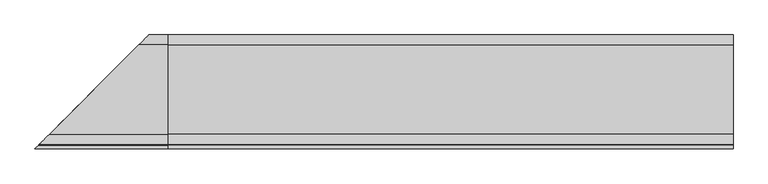
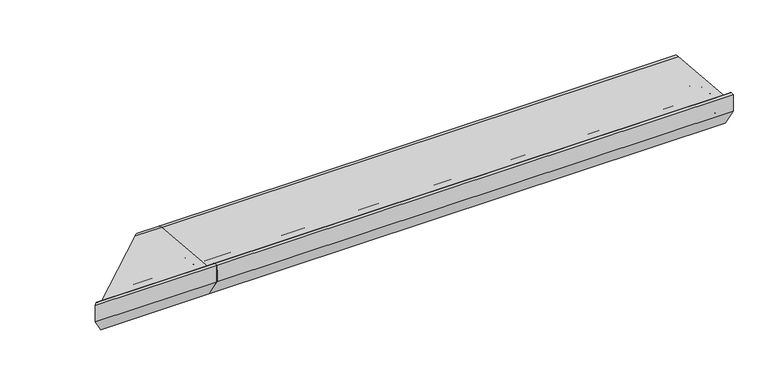
"""IFC4 building model written with IfcOpenShell, lengths in millimetres: proxy geometry."""

from ifc_helpers import new_model, si_unit, point, frame, frame_2d, origin, place, context, project, spatial, polyline, circle_curve, ellipse_curve, trimmed, segment, composite_curve, outline, extrude, source, transform, mapped, element, save
from ifc_brep_helpers import plane_surface, cylinder_surface, revolved_surface, advanced_brep


def generic_models_ce69e7a3(model_context):
    return source(origin(), model_context, "Body", "SolidModel", [
        advanced_brep(
        [(0.0, 28.0858073, 50.4091909), (0.0, -167.5409218, 67.4754175), (0.0, -189.9303588, 90.1294924), (0.0, -191.9246962, 91.9790981), (0.0, -200.0, 91.9790981), (0.0, -200.0, 50.0), (0.0, -168.0, 0.0), (0.0, -156.0, 0.0), (0.0, -155.0, 1.0), (0.0, -155.0, 5.5), (0.0, -153.0, 7.5), (0.0, -130.0, 7.5), (0.0, -128.0, 5.5), (0.0, -128.0, 1.0), (0.0, -127.0, 0.0), (0.0, -104.0, 0.0), (0.0, -103.0, 1.0), (0.0, -103.0, 5.5), (0.0, -101.0, 7.5), (0.0, -78.0, 7.5), (0.0, -76.0, 5.5), (0.0, -76.0, 1.0), (0.0, -75.0, 0.0), (0.0, -52.0, 0.0), (0.0, -51.0, 1.0), (0.0, -51.0, 5.5), (0.0, -49.0, 7.5), (0.0, -26.0, 7.5), (0.0, -24.0, 5.5), (0.0, -24.0, 1.0), (0.0, -23.0, 0.0), (0.0, -0.5773503, 0.0), (0.0, 0.2886751, 0.5), (0.0, 3.7527767, 6.5), (0.0, 5.4848276, 7.5), (0.0, 21.9585481, 7.5), (0.0, 23.6905989, 6.5), (0.0, 25.7072001, 3.0071443), (0.0, 26.5981483, 2.5074549), (0.0, -21.5, 20.9289), (0.0, -21.5, 28.9289), (0.0, -9.5, 28.9289), (0.0, -9.5, 20.9289), (0.0, -39.5, 27.333), (0.0, -51.5, 27.333), (0.0, -72.0, 30.0), (0.0, -84.0, 30.0), (0.0, -104.5, 32.667), (0.0, -116.5, 32.667), (0.0, -137.0, 35.334), (0.0, -149.0, 35.334), (-63.9141927, 28.0858073, 50.4091909), (-259.5409218, -167.5409218, 67.4754175), (-281.9303588, -189.9303588, 90.1294924), (-283.9246962, -191.9246962, 91.9790981), (-292.0, -200.0, 91.9790981), (-292.0, -200.0, 50.0), (-260.0, -168.0, 0.0), (-248.0, -156.0, 0.0), (-247.0, -155.0, 1.0), (-247.0, -155.0, 5.5), (-245.0, -153.0, 7.5), (-222.0, -130.0, 7.5), (-220.0, -128.0, 5.5), (-220.0, -128.0, 1.0), (-219.0, -127.0, 0.0), (-196.0, -104.0, 0.0), (-195.0, -103.0, 1.0), (-195.0, -103.0, 5.5), (-193.0, -101.0, 7.5), (-170.0, -78.0, 7.5), (-168.0, -76.0, 5.5), (-168.0, -76.0, 1.0), (-167.0, -75.0, 0.0), (-144.0, -52.0, 0.0), (-143.0, -51.0, 1.0), (-143.0, -51.0, 5.5), (-141.0, -49.0, 7.5), (-118.0, -26.0, 7.5), (-116.0, -24.0, 5.5), (-116.0, -24.0, 1.0), (-115.0, -23.0, 0.0), (-92.5773503, -0.5773503, 0.0), (-91.7113249, 0.2886751, 0.5), (-88.2472233, 3.7527767, 6.5), (-86.5151724, 5.4848276, 7.5), (-70.0414519, 21.9585481, 7.5), (-68.3094011, 23.6905989, 6.5), (-66.2927999, 25.7072001, 3.0071443), (-65.4018517, 26.5981483, 2.5074549), (-113.5, -21.5, 20.9289), (-113.5, -21.5, 28.9289), (-101.5, -9.5, 28.9289), (-101.5, -9.5, 20.9289), (-131.5, -39.5, 27.333), (-143.5, -51.5, 27.333), (-164.0, -72.0, 30.0), (-176.0, -84.0, 30.0), (-196.5, -104.5, 32.667), (-208.5, -116.5, 32.667), (-229.0, -137.0, 35.334), (-241.0, -149.0, 35.334)],
        [
            (0, 1),
            (1, 2, circle_curve(frame((0.0, -165.4032519, 91.9790985), z_axis=(-1.0, 0.0, 0.0), x_axis=(0.0, -0.08690863944627705, -0.9962162859487879)), 24.5967481)),
            (2, 3, circle_curve(frame((0.0, -191.9246962, 89.9790981), z_axis=(1.0, 0.0, 0.0), x_axis=(0.0, 0.9971686839008461, 0.07519717978391492)), 2.0)),
            (3, 4),
            (4, 5),
            (5, 6),
            (6, 7),
            (7, 8, circle_curve(frame((0.0, -156.0, 1.0), z_axis=(1.0, 0.0, 0.0), x_axis=(0.0, 1.0, 0.0)), 1.0)),
            (8, 9),
            (9, 10, circle_curve(frame((0.0, -153.0, 5.5), z_axis=(-1.0, 0.0, 0.0), x_axis=(0.0, -1.0, 0.0)), 2.0)),
            (10, 11),
            (11, 12, circle_curve(frame((0.0, -130.0, 5.5), z_axis=(-1.0, 0.0, 0.0), x_axis=(0.0, 0.0, 1.0)), 2.0)),
            (12, 13),
            (13, 14, circle_curve(frame((0.0, -127.0, 1.0), z_axis=(1.0, 0.0, 0.0), x_axis=(0.0, -1.0, 0.0)), 1.0)),
            (14, 15),
            (15, 16, circle_curve(frame((0.0, -104.0, 1.0), z_axis=(1.0, 0.0, 0.0), x_axis=(0.0, 0.0, -1.0)), 1.0)),
            (16, 17),
            (17, 18, circle_curve(frame((0.0, -101.0, 5.5), z_axis=(-1.0, 0.0, 0.0), x_axis=(0.0, -1.0, 0.0)), 2.0)),
            (18, 19),
            (19, 20, circle_curve(frame((0.0, -78.0, 5.5), z_axis=(-1.0, 0.0, 0.0), x_axis=(0.0, 0.0, 1.0)), 2.0)),
            (20, 21),
            (21, 22, circle_curve(frame((0.0, -75.0, 1.0), z_axis=(1.0, 0.0, 0.0), x_axis=(0.0, -1.0, 0.0)), 1.0)),
            (22, 23),
            (23, 24, circle_curve(frame((0.0, -52.0, 1.0), z_axis=(1.0, 0.0, 0.0), x_axis=(0.0, 0.0, -1.0)), 1.0)),
            (24, 25),
            (25, 26, circle_curve(frame((0.0, -49.0, 5.5), z_axis=(-1.0, 0.0, 0.0), x_axis=(0.0, -1.0, 0.0)), 2.0)),
            (26, 27),
            (27, 28, circle_curve(frame((0.0, -26.0, 5.5), z_axis=(-1.0, 0.0, 0.0), x_axis=(0.0, 0.0, 1.0)), 2.0)),
            (28, 29),
            (29, 30, circle_curve(frame((0.0, -23.0, 1.0), z_axis=(1.0, 0.0, 0.0), x_axis=(0.0, -1.0, 0.0)), 1.0)),
            (30, 31),
            (31, 32, circle_curve(frame((0.0, -0.5773503, 1.0), z_axis=(1.0, 0.0, 0.0), x_axis=(0.0, 0.0, -1.0)), 1.0)),
            (32, 33),
            (33, 34, circle_curve(frame((0.0, 5.4848276, 5.5), z_axis=(-1.0, 0.0, 0.0), x_axis=(0.0, -0.8660254037844424, 0.4999999999999936)), 2.0)),
            (34, 35),
            (35, 36, circle_curve(frame((0.0, 21.9585481, 5.5), z_axis=(-1.0, 0.0, 0.0), x_axis=(0.0, 0.0, 1.0)), 2.0)),
            (36, 37),
            (37, 38, circle_curve(frame((0.0, 26.5732255, 3.5071443), z_axis=(1.0, 0.0, 0.0), x_axis=(0.0, -0.8660254037844268, -0.5000000000000207)), 1.0)),
            (38, 0, circle_curve(frame((0.0, 26.0, 26.5), z_axis=(1.0, 0.0, 0.0), x_axis=(0.0, 0.02492284768405477, -0.9996893775885175)), 24.0)),
            (39, 40),
            (40, 41),
            (41, 42),
            (42, 39),
            (43, 44, circle_curve(frame((0.0, -45.5, 27.333), z_axis=(-1.0, 0.0, 0.0), x_axis=(0.0, -1.0, 0.0)), 6.0)),
            (44, 43, circle_curve(frame((0.0, -45.5, 27.333), z_axis=(-1.0, 0.0, 0.0), x_axis=(0.0, -1.0, 0.0)), 6.0)),
            (45, 46, circle_curve(frame((0.0, -78.0, 30.0), z_axis=(-1.0, 0.0, 0.0), x_axis=(0.0, -1.0, 0.0)), 6.0)),
            (46, 45, circle_curve(frame((0.0, -78.0, 30.0), z_axis=(-1.0, 0.0, 0.0), x_axis=(0.0, -1.0, 0.0)), 6.0)),
            (47, 48, circle_curve(frame((0.0, -110.5, 32.667), z_axis=(-1.0, 0.0, 0.0), x_axis=(0.0, -1.0, 0.0)), 6.0)),
            (48, 47, circle_curve(frame((0.0, -110.5, 32.667), z_axis=(-1.0, 0.0, 0.0), x_axis=(0.0, -1.0, 0.0)), 6.0)),
            (49, 50, circle_curve(frame((0.0, -143.0, 35.334), z_axis=(-1.0, 0.0, 0.0), x_axis=(0.0, -1.0, 0.0)), 6.0)),
            (50, 49, circle_curve(frame((0.0, -143.0, 35.334), z_axis=(-1.0, 0.0, 0.0), x_axis=(0.0, -1.0, 0.0)), 6.0)),
            (0, 51),
            (51, 52),
            (52, 1),
            (52, 53, ellipse_curve(frame((-257.4032519, -165.4032519, 91.9790985), z_axis=(-0.7071067811865469, 0.7071067811865481, 0.0), x_axis=(0.7071067811865481, 0.7071067811865469, 0.0)), 34.7850548, 24.5967481)),
            (53, 2),
            (53, 54, ellipse_curve(frame((-283.9246962, -191.9246962, 89.9790981), z_axis=(0.7071067811865469, -0.7071067811865481, 0.0), x_axis=(-0.7071067811865481, -0.7071067811865469, 0.0)), 2.8284271, 2.0)),
            (54, 3),
            (54, 55),
            (55, 4),
            (55, 56),
            (56, 5),
            (56, 57),
            (57, 6),
            (57, 58),
            (58, 7),
            (58, 59, ellipse_curve(frame((-248.0, -156.0, 1.0), z_axis=(0.7071067811865469, -0.7071067811865481, 0.0), x_axis=(-0.7071067811865481, -0.7071067811865469, 0.0)), 1.4142136, 1.0)),
            (59, 8),
            (59, 60),
            (60, 9),
            (60, 61, ellipse_curve(frame((-245.0, -153.0, 5.5), z_axis=(-0.7071067811865469, 0.7071067811865481, 0.0), x_axis=(0.7071067811865481, 0.7071067811865469, 0.0)), 2.8284271, 2.0)),
            (61, 10),
            (61, 62),
            (62, 11),
            (62, 63, ellipse_curve(frame((-222.0, -130.0, 5.5), z_axis=(-0.7071067811865469, 0.7071067811865481, 0.0), x_axis=(0.7071067811865481, 0.7071067811865469, 0.0)), 2.8284271, 2.0)),
            (63, 12),
            (63, 64),
            (64, 13),
            (64, 65, ellipse_curve(frame((-219.0, -127.0, 1.0), z_axis=(0.7071067811865469, -0.7071067811865481, 0.0), x_axis=(-0.7071067811865481, -0.7071067811865469, 0.0)), 1.4142136, 1.0)),
            (65, 14),
            (65, 66),
            (66, 15),
            (66, 67, ellipse_curve(frame((-196.0, -104.0, 1.0), z_axis=(0.7071067811865469, -0.7071067811865481, 0.0), x_axis=(-0.7071067811865481, -0.7071067811865469, 0.0)), 1.4142136, 1.0)),
            (67, 16),
            (67, 68),
            (68, 17),
            (68, 69, ellipse_curve(frame((-193.0, -101.0, 5.5), z_axis=(-0.7071067811865469, 0.7071067811865481, 0.0), x_axis=(0.7071067811865481, 0.7071067811865469, 0.0)), 2.8284271, 2.0)),
            (69, 18),
            (69, 70),
            (70, 19),
            (70, 71, ellipse_curve(frame((-170.0, -78.0, 5.5), z_axis=(-0.7071067811865469, 0.7071067811865481, 0.0), x_axis=(0.7071067811865481, 0.7071067811865469, 0.0)), 2.8284271, 2.0)),
            (71, 20),
            (71, 72),
            (72, 21),
            (72, 73, ellipse_curve(frame((-167.0, -75.0, 1.0), z_axis=(0.7071067811865469, -0.7071067811865481, 0.0), x_axis=(-0.7071067811865481, -0.7071067811865469, 0.0)), 1.4142136, 1.0)),
            (73, 22),
            (73, 74),
            (74, 23),
            (74, 75, ellipse_curve(frame((-144.0, -52.0, 1.0), z_axis=(0.7071067811865469, -0.7071067811865481, 0.0), x_axis=(-0.7071067811865481, -0.7071067811865469, 0.0)), 1.4142136, 1.0)),
            (75, 24),
            (75, 76),
            (76, 25),
            (76, 77, ellipse_curve(frame((-141.0, -49.0, 5.5), z_axis=(-0.7071067811865469, 0.7071067811865481, 0.0), x_axis=(0.7071067811865481, 0.7071067811865469, 0.0)), 2.8284271, 2.0)),
            (77, 26),
            (77, 78),
            (78, 27),
            (78, 79, ellipse_curve(frame((-118.0, -26.0, 5.5), z_axis=(-0.7071067811865469, 0.7071067811865481, 0.0), x_axis=(0.7071067811865481, 0.7071067811865469, 0.0)), 2.8284271, 2.0)),
            (79, 28),
            (79, 80),
            (80, 29),
            (80, 81, ellipse_curve(frame((-115.0, -23.0, 1.0), z_axis=(0.7071067811865469, -0.7071067811865481, 0.0), x_axis=(-0.7071067811865481, -0.7071067811865469, 0.0)), 1.4142136, 1.0)),
            (81, 30),
            (81, 82),
            (82, 31),
            (82, 83, ellipse_curve(frame((-92.5773503, -0.5773503, 1.0), z_axis=(0.7071067811865469, -0.7071067811865481, 0.0), x_axis=(-0.7071067811865481, -0.7071067811865469, 0.0)), 1.4142136, 1.0)),
            (83, 32),
            (83, 84),
            (84, 33),
            (84, 85, ellipse_curve(frame((-86.5151724, 5.4848276, 5.5), z_axis=(-0.7071067811865469, 0.7071067811865481, 0.0), x_axis=(0.7071067811865481, 0.7071067811865469, 0.0)), 2.8284271, 2.0)),
            (85, 34),
            (85, 86),
            (86, 35),
            (86, 87, ellipse_curve(frame((-70.0414519, 21.9585481, 5.5), z_axis=(-0.7071067811865469, 0.7071067811865481, 0.0), x_axis=(0.7071067811865481, 0.7071067811865469, 0.0)), 2.8284271, 2.0)),
            (87, 36),
            (87, 88),
            (88, 37),
            (88, 89, ellipse_curve(frame((-65.4267745, 26.5732255, 3.5071443), z_axis=(0.7071067811865469, -0.7071067811865481, 0.0), x_axis=(-0.7071067811865481, -0.7071067811865469, 0.0)), 1.4142136, 1.0)),
            (89, 38),
            (89, 51, ellipse_curve(frame((-66.0, 26.0, 26.5), z_axis=(0.7071067811865469, -0.7071067811865481, 0.0), x_axis=(-0.7071067811865481, -0.7071067811865469, 0.0)), 33.9411255, 24.0)),
            (39, 90),
            (90, 91),
            (91, 40),
            (91, 92),
            (92, 41),
            (92, 93),
            (93, 42),
            (93, 90),
            (43, 94),
            (94, 95, ellipse_curve(frame((-137.5, -45.5, 27.333), z_axis=(-0.7071067811865469, 0.7071067811865481, 0.0), x_axis=(0.7071067811865481, 0.7071067811865469, 0.0)), 8.4852814, 6.0)),
            (95, 44),
            (95, 94, ellipse_curve(frame((-137.5, -45.5, 27.333), z_axis=(-0.7071067811865469, 0.7071067811865481, 0.0), x_axis=(0.7071067811865481, 0.7071067811865469, 0.0)), 8.4852814, 6.0)),
            (45, 96),
            (96, 97, ellipse_curve(frame((-170.0, -78.0, 30.0), z_axis=(-0.7071067811865469, 0.7071067811865481, 0.0), x_axis=(0.7071067811865481, 0.7071067811865469, 0.0)), 8.4852814, 6.0)),
            (97, 46),
            (97, 96, ellipse_curve(frame((-170.0, -78.0, 30.0), z_axis=(-0.7071067811865469, 0.7071067811865481, 0.0), x_axis=(0.7071067811865481, 0.7071067811865469, 0.0)), 8.4852814, 6.0)),
            (47, 98),
            (98, 99, ellipse_curve(frame((-202.5, -110.5, 32.667), z_axis=(-0.7071067811865469, 0.7071067811865481, 0.0), x_axis=(0.7071067811865481, 0.7071067811865469, 0.0)), 8.4852814, 6.0)),
            (99, 48),
            (99, 98, ellipse_curve(frame((-202.5, -110.5, 32.667), z_axis=(-0.7071067811865469, 0.7071067811865481, 0.0), x_axis=(0.7071067811865481, 0.7071067811865469, 0.0)), 8.4852814, 6.0)),
            (49, 100),
            (100, 101, ellipse_curve(frame((-235.0, -143.0, 35.334), z_axis=(-0.7071067811865469, 0.7071067811865481, 0.0), x_axis=(0.7071067811865481, 0.7071067811865469, 0.0)), 8.4852814, 6.0)),
            (101, 50),
            (101, 100, ellipse_curve(frame((-235.0, -143.0, 35.334), z_axis=(-0.7071067811865469, 0.7071067811865481, 0.0), x_axis=(0.7071067811865481, 0.7071067811865469, 0.0)), 8.4852814, 6.0)),
        ],
        [
            plane_surface(frame((0.0, 0.0, 0.0), z_axis=(1.0, 0.0, 0.0), x_axis=(0.0, 0.0, 1.0))),
            plane_surface(frame((-292.0, -167.5409218, 67.4754175), z_axis=(0.0, 0.08690863944627716, 0.9962162859487879), x_axis=(1.0, 0.0, 0.0))),
            revolved_surface(polyline([(0.0, -167.5409218121738, 67.4754174614001), (-282.0000000330257, -167.5409218121738, 67.4754174614001)]), (-292.0, -165.4032519, 91.9790985), (1.0, 0.0, 0.0)),
            cylinder_surface(frame((-292.0, -191.9246962, 89.9790981), z_axis=(-1.0, 0.0, 0.0), x_axis=(0.0, 0.9971686839008461, 0.07519717978391492)), 2.0),
            plane_surface(frame((-292.0, -200.0, 91.9790981), z_axis=(0.0, 0.0, 1.0), x_axis=(1.0, 0.0, 0.0))),
            plane_surface(frame((-292.0, -200.0, 50.0), z_axis=(0.0, -1.0, 0.0), x_axis=(1.0, 0.0, 0.0))),
            plane_surface(frame((-292.0, -168.0, 0.0), z_axis=(0.0, -0.8422714006615114, -0.5390536964233673), x_axis=(1.0, 0.0, 0.0))),
            plane_surface(frame((-292.0, -156.0, 0.0), z_axis=(0.0, 0.0, -1.0), x_axis=(1.0, 0.0, 0.0))),
            cylinder_surface(frame((-292.0, -156.0, 1.0), z_axis=(-1.0, 0.0, 0.0), x_axis=(0.0, 1.0, 0.0)), 1.0),
            plane_surface(frame((-292.0, -155.0, 5.5), z_axis=(0.0, 1.0, 0.0), x_axis=(1.0, 0.0, 0.0))),
            revolved_surface(polyline([(0.0, -155.0, 5.5), (-247.0, -155.0, 5.5)]), (-292.0, -153.0, 5.5), (1.0, 0.0, 0.0)),
            plane_surface(frame((-292.0, -130.0, 7.5), z_axis=(0.0, 0.0, -1.0), x_axis=(1.0, 0.0, 0.0))),
            revolved_surface(polyline([(0.0, -130.0, 7.5), (-223.9999999825018, -130.0, 7.5)]), (-292.0, -130.0, 5.5), (1.0, 0.0, 0.0)),
            plane_surface(frame((-292.0, -128.0, 1.0), z_axis=(0.0, -1.0, 0.0), x_axis=(1.0, 0.0, 0.0))),
            cylinder_surface(frame((-292.0, -127.0, 1.0), z_axis=(-1.0, 0.0, 0.0), x_axis=(0.0, -1.0, 0.0)), 1.0),
            plane_surface(frame((-292.0, -104.0, 0.0), z_axis=(0.0, 0.0, -1.0), x_axis=(1.0, 0.0, 0.0))),
            cylinder_surface(frame((-292.0, -104.0, 1.0), z_axis=(-1.0, 0.0, 0.0), x_axis=(0.0, 0.0, -1.0)), 1.0),
            plane_surface(frame((-292.0, -103.0, 5.5), z_axis=(0.0, 1.0, 0.0), x_axis=(1.0, 0.0, 0.0))),
            revolved_surface(polyline([(0.0, -103.0, 5.5), (-195.0, -103.0, 5.5)]), (-292.0, -101.0, 5.5), (1.0, 0.0, 0.0)),
            plane_surface(frame((-292.0, -78.0, 7.5), z_axis=(0.0, 0.0, -1.0), x_axis=(1.0, 0.0, 0.0))),
            revolved_surface(polyline([(0.0, -78.0, 7.5), (-171.9999999825018, -78.0, 7.5)]), (-292.0, -78.0, 5.5), (1.0, 0.0, 0.0)),
            plane_surface(frame((-292.0, -76.0, 1.0), z_axis=(0.0, -1.0, 0.0), x_axis=(1.0, 0.0, 0.0))),
            cylinder_surface(frame((-292.0, -75.0, 1.0), z_axis=(-1.0, 0.0, 0.0), x_axis=(0.0, -1.0, 0.0)), 1.0),
            plane_surface(frame((-292.0, -52.0, 0.0), z_axis=(0.0, 0.0, -1.0), x_axis=(1.0, 0.0, 0.0))),
            cylinder_surface(frame((-292.0, -52.0, 1.0), z_axis=(-1.0, 0.0, 0.0), x_axis=(0.0, 0.0, -1.0)), 1.0),
            plane_surface(frame((-292.0, -51.0, 5.5), z_axis=(0.0, 1.0, 0.0), x_axis=(1.0, 0.0, 0.0))),
            revolved_surface(polyline([(0.0, -51.0, 5.5), (-143.0, -51.0, 5.5)]), (-292.0, -49.0, 5.5), (1.0, 0.0, 0.0)),
            plane_surface(frame((-292.0, -26.0, 7.5), z_axis=(0.0, 0.0, -1.0), x_axis=(1.0, 0.0, 0.0))),
            revolved_surface(polyline([(0.0, -26.0, 7.5), (-119.9999999825018, -26.0, 7.5)]), (-292.0, -26.0, 5.5), (1.0, 0.0, 0.0)),
            plane_surface(frame((-292.0, -24.0, 1.0), z_axis=(0.0, -1.0, 0.0), x_axis=(1.0, 0.0, 0.0))),
            cylinder_surface(frame((-292.0, -23.0, 1.0), z_axis=(-1.0, 0.0, 0.0), x_axis=(0.0, -1.0, 0.0)), 1.0),
            plane_surface(frame((-292.0, -0.5773503, 0.0), z_axis=(0.0, 0.0, -1.0), x_axis=(1.0, 0.0, 0.0))),
            cylinder_surface(frame((-292.0, -0.5773503, 1.0), z_axis=(-1.0, 0.0, 0.0), x_axis=(0.0, 0.0, -1.0)), 1.0),
            plane_surface(frame((-292.0, 3.7527767, 6.5), z_axis=(0.0, 0.8660254037844367, -0.5000000000000034), x_axis=(1.0, 0.0, 0.0))),
            revolved_surface(polyline([(0.0, 3.7527767924311153, 6.499999999999988), (-88.51517238250179, 3.7527767924311153, 6.499999999999988)]), (-292.0, 5.4848276, 5.5), (1.0, 0.0, 0.0)),
            plane_surface(frame((-292.0, 21.9585481, 7.5), z_axis=(0.0, 0.0, -1.0), x_axis=(1.0, 0.0, 0.0))),
            revolved_surface(polyline([(0.0, 21.9585481, 7.5), (-72.0414518825018, 21.9585481, 7.5)]), (-292.0, 21.9585481, 5.5), (1.0, 0.0, 0.0)),
            plane_surface(frame((-292.0, 25.7072001, 3.0071443), z_axis=(0.0, -0.8660254037844396, -0.4999999999999985), x_axis=(1.0, 0.0, 0.0))),
            cylinder_surface(frame((-292.0, 26.5732255, 3.5071443), z_axis=(-1.0000000000000002, 0.0, 0.0), x_axis=(0.0, -0.8660254037844268, -0.5000000000000207)), 1.0),
            cylinder_surface(frame((-292.0, 26.0, 26.5), z_axis=(-1.0000000000000002, 0.0, 0.0), x_axis=(0.0, 0.02492284768405477, -0.9996893775885175)), 24.0),
            plane_surface(frame((-292.0, -21.5, 28.9289), z_axis=(0.0, 1.0, 0.0), x_axis=(1.0, 0.0, 0.0))),
            plane_surface(frame((-292.0, -9.5, 28.9289), z_axis=(0.0, 0.0, -1.0), x_axis=(1.0, 0.0, 0.0))),
            plane_surface(frame((-292.0, -9.5, 20.9289), z_axis=(0.0, -1.0, 0.0), x_axis=(1.0, 0.0, 0.0))),
            plane_surface(frame((-292.0, -21.5, 20.9289), z_axis=(0.0, 0.0, 1.0), x_axis=(1.0, 0.0, 0.0))),
            revolved_surface(polyline([(0.0, -51.5, 27.333), (-143.5000000182161, -51.5, 27.333)]), (-292.0, -45.5, 27.333), (1.0, 0.0, 0.0)),
            revolved_surface(polyline([(0.0, -84.0, 30.0), (-176.0000000182161, -84.0, 30.0)]), (-292.0, -78.0, 30.0), (1.0, 0.0, 0.0)),
            revolved_surface(polyline([(0.0, -116.5, 32.667), (-208.5000000182161, -116.5, 32.667)]), (-292.0, -110.5, 32.667), (1.0, 0.0, 0.0)),
            revolved_surface(polyline([(0.0, -149.0, 35.334), (-241.0000000182161, -149.0, 35.334)]), (-292.0, -143.0, 35.334), (1.0, 0.0, 0.0)),
            plane_surface(frame((-337.9619408, -245.9619408, 0.0), z_axis=(-0.7071067811865469, 0.7071067811865481, 0.0), x_axis=(0.7071067811865481, 0.7071067811865469, 0.0))),
        ],
        [
            (0, [[1, 2, 3, 4, 5, 6, 7, 8, 9, 10, 11, 12, 13, 14, 15, 16, 17, 18, 19, 20, 21, 22, 23, 24, 25, 26, 27, 28, 29, 30, 31, 32, 33, 34, 35, 36, 37, 38, 39], [40, 41, 42, 43], [44, 45], [46, 47], [48, 49], [50, 51]]),
            (1, [[-1, 52, 53, 54]]),
            (2, [[-2, -54, 55, 56]]),
            (3, [[-3, -56, 57, 58]]),
            (4, [[-4, -58, 59, 60]]),
            (5, [[-5, -60, 61, 62]]),
            (6, [[-6, -62, 63, 64]]),
            (7, [[-7, -64, 65, 66]]),
            (8, [[-8, -66, 67, 68]]),
            (9, [[-9, -68, 69, 70]]),
            (10, [[-10, -70, 71, 72]]),
            (11, [[-11, -72, 73, 74]]),
            (12, [[-12, -74, 75, 76]]),
            (13, [[-13, -76, 77, 78]]),
            (14, [[-14, -78, 79, 80]]),
            (15, [[-15, -80, 81, 82]]),
            (16, [[-16, -82, 83, 84]]),
            (17, [[-17, -84, 85, 86]]),
            (18, [[-18, -86, 87, 88]]),
            (19, [[-19, -88, 89, 90]]),
            (20, [[-20, -90, 91, 92]]),
            (21, [[-21, -92, 93, 94]]),
            (22, [[-22, -94, 95, 96]]),
            (23, [[-23, -96, 97, 98]]),
            (24, [[-24, -98, 99, 100]]),
            (25, [[-25, -100, 101, 102]]),
            (26, [[-26, -102, 103, 104]]),
            (27, [[-27, -104, 105, 106]]),
            (28, [[-28, -106, 107, 108]]),
            (29, [[-29, -108, 109, 110]]),
            (30, [[-30, -110, 111, 112]]),
            (31, [[-31, -112, 113, 114]]),
            (32, [[-32, -114, 115, 116]]),
            (33, [[-33, -116, 117, 118]]),
            (34, [[-34, -118, 119, 120]]),
            (35, [[-35, -120, 121, 122]]),
            (36, [[-36, -122, 123, 124]]),
            (37, [[-37, -124, 125, 126]]),
            (38, [[-38, -126, 127, 128]]),
            (39, [[-39, -128, 129, -52]]),
            (40, [[-40, 130, 131, 132]]),
            (41, [[-41, -132, 133, 134]]),
            (42, [[-42, -134, 135, 136]]),
            (43, [[-43, -136, 137, -130]]),
            (44, [[-44, 138, 139, 140]]),
            (44, [[-45, -140, 141, -138]]),
            (45, [[-46, 142, 143, 144]]),
            (45, [[-47, -144, 145, -142]]),
            (46, [[-48, 146, 147, 148]]),
            (46, [[-49, -148, 149, -146]]),
            (47, [[-50, 150, 151, 152]]),
            (47, [[-51, -152, 153, -150]]),
            (48, [[-53, -129, -127, -125, -123, -121, -119, -117, -115, -113, -111, -109, -107, -105, -103, -101, -99, -97, -95, -93, -91, -89, -87, -85, -83, -81, -79, -77, -75, -73, -71, -69, -67, -65, -63, -61, -59, -57, -55], [-131, -137, -135, -133], [-139, -141], [-143, -145], [-147, -149], [-151, -153]]),
        ],
    ),
        extrude(outline(polyline([(0.0, -200.0), (0.0, -198.0), (2.0, -198.0), (2.0, -200.0), (0.0, -200.0)])), frame((0.0, 0.0, 50.0), z_axis=(0.0, 0.0, 1.0), x_axis=(1.0, 0.0, 0.0)), (0.0, 0.0, 1.0), 30.0),
        extrude(outline(composite_curve([segment(trimmed(circle_curve(frame_2d((26.0, 26.5)), 24.0), [point((28.0858073, 50.4091909))], [point((26.5981483, 2.5074549))], False, "CARTESIAN"), True, "CONTINUOUS"), segment(trimmed(circle_curve(frame_2d((26.5732255, 3.5071443)), 1.0), [point((26.5981483, 2.5074549))], [point((25.7072001, 3.0071443))], False, "CARTESIAN"), True, "CONTINUOUS"), segment(polyline([(25.7072001, 3.0071443), (23.6905989, 6.5)]), True, "CONTINUOUS"), segment(trimmed(circle_curve(frame_2d((21.9585481, 5.5)), 2.0), [point((23.6905989, 6.5))], [point((21.9585481, 7.5))], True, "CARTESIAN"), True, "CONTINUOUS"), segment(polyline([(21.9585481, 7.5), (5.4848276, 7.5)]), True, "CONTINUOUS"), segment(trimmed(circle_curve(frame_2d((5.4848276, 5.5)), 2.0), [point((5.4848276, 7.5))], [point((3.7527767, 6.5))], True, "CARTESIAN"), True, "CONTINUOUS"), segment(polyline([(3.7527767, 6.5), (0.2886751, 0.5)]), True, "CONTINUOUS"), segment(trimmed(circle_curve(frame_2d((-0.5773503, 1.0)), 1.0), [point((0.2886751, 0.5))], [point((-0.5773503, 0.0))], False, "CARTESIAN"), True, "CONTINUOUS"), segment(polyline([(-0.5773503, 0.0), (-23.0, 0.0)]), True, "CONTINUOUS"), segment(trimmed(circle_curve(frame_2d((-23.0, 1.0)), 1.0), [point((-23.0, 0.0))], [point((-24.0, 1.0))], False, "CARTESIAN"), True, "CONTINUOUS"), segment(polyline([(-24.0, 1.0), (-24.0, 5.5)]), True, "CONTINUOUS"), segment(trimmed(circle_curve(frame_2d((-26.0, 5.5)), 2.0), [point((-24.0, 5.5))], [point((-26.0, 7.5))], True, "CARTESIAN"), True, "CONTINUOUS"), segment(polyline([(-26.0, 7.5), (-49.0, 7.5)]), True, "CONTINUOUS"), segment(trimmed(circle_curve(frame_2d((-49.0, 5.5)), 2.0), [point((-49.0, 7.5))], [point((-51.0, 5.5))], True, "CARTESIAN"), True, "CONTINUOUS"), segment(polyline([(-51.0, 5.5), (-51.0, 1.0)]), True, "CONTINUOUS"), segment(trimmed(circle_curve(frame_2d((-52.0, 1.0)), 1.0), [point((-51.0, 1.0))], [point((-52.0, 0.0))], False, "CARTESIAN"), True, "CONTINUOUS"), segment(polyline([(-52.0, 0.0), (-75.0, 0.0)]), True, "CONTINUOUS"), segment(trimmed(circle_curve(frame_2d((-75.0, 1.0)), 1.0), [point((-75.0, 0.0))], [point((-76.0, 1.0))], False, "CARTESIAN"), True, "CONTINUOUS"), segment(polyline([(-76.0, 1.0), (-76.0, 5.5)]), True, "CONTINUOUS"), segment(trimmed(circle_curve(frame_2d((-78.0, 5.5)), 2.0), [point((-76.0, 5.5))], [point((-78.0, 7.5))], True, "CARTESIAN"), True, "CONTINUOUS"), segment(polyline([(-78.0, 7.5), (-101.0, 7.5)]), True, "CONTINUOUS"), segment(trimmed(circle_curve(frame_2d((-101.0, 5.5)), 2.0), [point((-101.0, 7.5))], [point((-103.0, 5.5))], True, "CARTESIAN"), True, "CONTINUOUS"), segment(polyline([(-103.0, 5.5), (-103.0, 1.0)]), True, "CONTINUOUS"), segment(trimmed(circle_curve(frame_2d((-104.0, 1.0)), 1.0), [point((-103.0, 1.0))], [point((-104.0, 0.0))], False, "CARTESIAN"), True, "CONTINUOUS"), segment(polyline([(-104.0, 0.0), (-127.0, 0.0)]), True, "CONTINUOUS"), segment(trimmed(circle_curve(frame_2d((-127.0, 1.0)), 1.0), [point((-127.0, 0.0))], [point((-128.0, 1.0))], False, "CARTESIAN"), True, "CONTINUOUS"), segment(polyline([(-128.0, 1.0), (-128.0, 5.5)]), True, "CONTINUOUS"), segment(trimmed(circle_curve(frame_2d((-130.0, 5.5)), 2.0), [point((-128.0, 5.5))], [point((-130.0, 7.5))], True, "CARTESIAN"), True, "CONTINUOUS"), segment(polyline([(-130.0, 7.5), (-153.0, 7.5)]), True, "CONTINUOUS"), segment(trimmed(circle_curve(frame_2d((-153.0, 5.5)), 2.0), [point((-153.0, 7.5))], [point((-155.0, 5.5))], True, "CARTESIAN"), True, "CONTINUOUS"), segment(polyline([(-155.0, 5.5), (-155.0, 1.0)]), True, "CONTINUOUS"), segment(trimmed(circle_curve(frame_2d((-156.0, 1.0)), 1.0), [point((-155.0, 1.0))], [point((-156.0, 0.0))], False, "CARTESIAN"), True, "CONTINUOUS"), segment(polyline([(-156.0, 0.0), (-168.0, 0.0), (-200.0, 50.0), (-200.0, 91.9790981), (-191.9246962, 91.9790981)]), True, "CONTINUOUS"), segment(trimmed(circle_curve(frame_2d((-191.9246962, 89.9790981)), 2.0), [point((-191.9246962, 91.9790981))], [point((-189.9303588, 90.1294924))], False, "CARTESIAN"), True, "CONTINUOUS"), segment(trimmed(circle_curve(frame_2d((-165.4032519, 91.9790985)), 24.5967481), [point((-189.9303588, 90.1294924))], [point((-167.5409218, 67.4754175))], True, "CARTESIAN"), True, "CONTINUOUS"), segment(polyline([(-167.5409218, 67.4754175), (28.0858073, 50.4091909)]), True, "CONTINUOUS")], self_intersect=False), holes=[polyline([(-21.5, 20.9289), (-9.5, 20.9289), (-9.5, 28.9289), (-21.5, 28.9289), (-21.5, 20.9289)]), composite_curve([segment(trimmed(circle_curve(frame_2d((-45.5, 27.333)), 6.0), [point((-51.5, 27.333))], [point((-39.5, 27.333))], True, "CARTESIAN"), True, "CONTINUOUS"), segment(trimmed(circle_curve(frame_2d((-45.5, 27.333)), 6.0), [point((-39.5, 27.333))], [point((-51.5, 27.333))], True, "CARTESIAN"), True, "CONTINUOUS")], self_intersect=False), composite_curve([segment(trimmed(circle_curve(frame_2d((-78.0, 30.0)), 6.0), [point((-84.0, 30.0))], [point((-72.0, 30.0))], True, "CARTESIAN"), True, "CONTINUOUS"), segment(trimmed(circle_curve(frame_2d((-78.0, 30.0)), 6.0), [point((-72.0, 30.0))], [point((-84.0, 30.0))], True, "CARTESIAN"), True, "CONTINUOUS")], self_intersect=False), composite_curve([segment(trimmed(circle_curve(frame_2d((-110.5, 32.667)), 6.0), [point((-116.5, 32.667))], [point((-104.5, 32.667))], True, "CARTESIAN"), True, "CONTINUOUS"), segment(trimmed(circle_curve(frame_2d((-110.5, 32.667)), 6.0), [point((-104.5, 32.667))], [point((-116.5, 32.667))], True, "CARTESIAN"), True, "CONTINUOUS")], self_intersect=False), composite_curve([segment(trimmed(circle_curve(frame_2d((-143.0, 35.334)), 6.0), [point((-149.0, 35.334))], [point((-137.0, 35.334))], True, "CARTESIAN"), True, "CONTINUOUS"), segment(trimmed(circle_curve(frame_2d((-143.0, 35.334)), 6.0), [point((-137.0, 35.334))], [point((-149.0, 35.334))], True, "CARTESIAN"), True, "CONTINUOUS")], self_intersect=False)]), frame((0.0, 0.0, 0.0), z_axis=(1.0, 0.0, 0.0), x_axis=(0.0, 1.0, 0.0)), (0.0, 0.0, 1.0), 1240.0),
    ])


if __name__ == "__main__":
    model = new_model("IFC4")
    model_context = context("Model", 3, world=origin())
    ifc_project = project(units=[si_unit("LENGTHUNIT", "METRE", prefix="MILLI")], contexts=[model_context])
    site = spatial("IfcSite", under=ifc_project)
    building = spatial("IfcBuilding", under=site)
    placement = place(None, origin())
    generic_models_shape = generic_models_ce69e7a3(model_context)
    element("IfcBuildingElementProxy", 1, Name="Generic Models", at=placement, inside=building, context=model_context, shape_type="MappedRepresentation", body=[
        mapped(generic_models_shape, transform((0.0, 0.0, 0.0), x_axis=(1.0, 0.0, 0.0), y_axis=(0.0, 1.0, 0.0), z_axis=(0.0, 0.0, 1.0))),
    ])
    save(model, "model.ifc")
